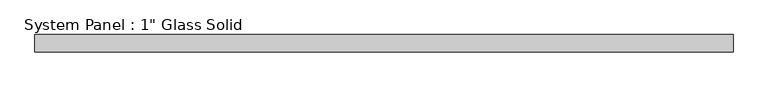
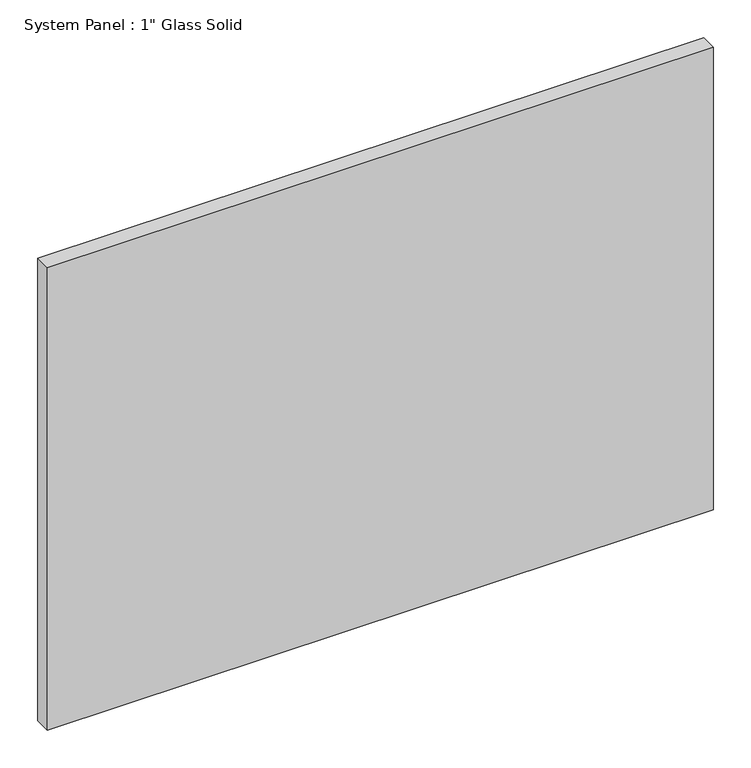
"""IFC4 building model written with IfcOpenShell, lengths in millimetres: plate geometry."""

import ifcopenshell
import ifcopenshell.guid

model = None  # the IFC model being written
_history = None  # IfcOwnerHistory: only IFC2X3 demands one
_inside = {}  # id of a spatial element -> (the spatial element, [elements in it])
_under = {}  # id of a project, library or spatial element -> (it, [spatial elements below it])
_declared = {}  # id of a project -> (the project, [libraries it declares])
_typed = {}  # id of a type object -> (the type object, [elements of that type])
_made_of = {}  # id of a material, layer set ... -> (it, [elements and type objects made of it])


def new_model(schema):
    """Start an empty IFC model of exactly this schema.

    Asked for "IFC4X3", IfcOpenShell would pick the latest addendum, in which some entities
    have other attributes; the version numbers below select the first issue.
    IFC2X3 requires an IfcOwnerHistory on every rooted entity: one is made here for all.
    """
    global model, _history
    if schema == "IFC4X3":
        model = ifcopenshell.file(schema_version=(4, 3, 0, 0))
    else:
        model = ifcopenshell.file(schema=schema)
    _inside.clear()
    _under.clear()
    _declared.clear()
    _typed.clear()
    _made_of.clear()
    _history = None
    if model.schema == "IFC2X3":
        org = make("IfcOrganization", Name="unknown")
        user = make(
            "IfcPersonAndOrganization",
            ThePerson=make("IfcPerson", FamilyName="unknown"),
            TheOrganization=org,
        )
        app = make(
            "IfcApplication",
            ApplicationDeveloper=org,
            Version="unknown",
            ApplicationFullName="unknown",
            ApplicationIdentifier="unknown",
        )
        _history = make(
            "IfcOwnerHistory",
            OwningUser=user,
            OwningApplication=app,
            ChangeAction="ADDED",
            CreationDate=0,
        )
    return model


def make(cls, **values):
    """One entity of the class cls with the attributes given. An attribute that is None is left unset."""
    return model.create_entity(
        cls, **{name: value for name, value in values.items() if value is not None}
    )


def rooted(cls, **values):
    """An entity with a GlobalId (a new one), such as an element, a storey or a relation."""
    return make(cls, GlobalId=ifcopenshell.guid.new(), OwnerHistory=_history, **values)


def si_unit(unit_type, name, prefix=None):
    """IfcSIUnit, for example si_unit("LENGTHUNIT", "METRE", prefix="MILLI")."""
    return make("IfcSIUnit", UnitType=unit_type, Prefix=prefix, Name=name)


def assignment(units):
    """IfcUnitAssignment: the units of a project."""
    return None if units is None else make("IfcUnitAssignment", Units=units)


def point(xyz):
    """IfcCartesianPoint."""
    return None if xyz is None else make("IfcCartesianPoint", Coordinates=xyz)


def direction(xyz):
    """IfcDirection."""
    return None if xyz is None else make("IfcDirection", DirectionRatios=xyz)


def frame(location, z_axis=None, x_axis=None):
    """IfcAxis2Placement3D, a coordinate frame: its origin and axes. An axis left out is left unset."""
    return make(
        "IfcAxis2Placement3D",
        Location=point(location),
        Axis=direction(z_axis),
        RefDirection=direction(x_axis),
    )


def origin():
    """The frame at (0, 0, 0) with its axes left unset."""
    return frame((0.0, 0.0, 0.0))


def origin_with_axes():
    """The frame at (0, 0, 0) with the z axis (0, 0, 1) and the x axis (1, 0, 0) written out."""
    return frame((0.0, 0.0, 0.0), z_axis=(0.0, 0.0, 1.0), x_axis=(1.0, 0.0, 0.0))


def place(relative_to, where):
    """IfcLocalPlacement: puts the frame where relative to a parent placement (None: the world)."""
    return make(
        "IfcLocalPlacement", PlacementRelTo=relative_to, RelativePlacement=where
    )


def context(
    kind, dimensions, precision=None, world=None, true_north=None, identifier=None
):
    """IfcGeometricRepresentationContext, for example the 3D "Model" context."""
    return make(
        "IfcGeometricRepresentationContext",
        ContextIdentifier=identifier,
        ContextType=kind,
        CoordinateSpaceDimension=dimensions,
        Precision=precision,
        WorldCoordinateSystem=world,
        TrueNorth=true_north,
    )


def project(units=None, contexts=None):
    """IfcProject with its units and contexts."""
    return rooted(
        "IfcProject",
        Name="project",
        RepresentationContexts=contexts,
        UnitsInContext=assignment(units),
    )


def spatial(cls, under=None, at=None, **own):
    """A site, building, storey or space (cls), placed at a placement, below another one or the project."""
    s = rooted(cls, ObjectPlacement=at, **own)
    if under is not None:
        _under.setdefault(under.id(), (under, []))[1].append(s)
    return s


def polyline(points):
    """IfcPolyline through the points."""
    return make("IfcPolyline", Points=[point(p) for p in points])


def outline(outer, holes=None, kind="AREA"):
    """IfcArbitraryClosedProfileDef: a profile drawn as a closed curve; with holes, ...WithVoids."""
    if holes is None:
        return make("IfcArbitraryClosedProfileDef", ProfileType=kind, OuterCurve=outer)
    return make(
        "IfcArbitraryProfileDefWithVoids",
        ProfileType=kind,
        OuterCurve=outer,
        InnerCurves=holes,
    )


def extrude(swept, where, along, depth):
    """IfcExtrudedAreaSolid: the profile swept, set in the frame where, extruded along a direction by depth."""
    return make(
        "IfcExtrudedAreaSolid",
        SweptArea=swept,
        Position=where,
        ExtrudedDirection=direction(along),
        Depth=depth,
    )


def shape(context_of_items, identifier, shape_type, items):
    """IfcShapeRepresentation: the items that make up one representation, for example the "Body"."""
    return make(
        "IfcShapeRepresentation",
        ContextOfItems=context_of_items,
        RepresentationIdentifier=identifier,
        RepresentationType=shape_type,
        Items=items,
    )


def source(mapping_origin, context_of_items, identifier, shape_type, items):
    """IfcRepresentationMap: a shape defined once, which mapped items show again and again."""
    return make(
        "IfcRepresentationMap",
        MappingOrigin=mapping_origin,
        MappedRepresentation=shape(context_of_items, identifier, shape_type, items),
    )


def transform(
    local_origin,
    x_axis=None,
    y_axis=None,
    z_axis=None,
    scale=None,
    scale2=None,
    scale3=None,
    uniform=True,
):
    """IfcCartesianTransformationOperator3D, or its non-uniform kind. x_axis, y_axis, z_axis: its Axis1, 2, 3."""
    if uniform:
        return make(
            "IfcCartesianTransformationOperator3D",
            Axis1=direction(x_axis),
            Axis2=direction(y_axis),
            LocalOrigin=point(local_origin),
            Scale=scale,
            Axis3=direction(z_axis),
        )
    return make(
        "IfcCartesianTransformationOperator3DnonUniform",
        Axis1=direction(x_axis),
        Axis2=direction(y_axis),
        LocalOrigin=point(local_origin),
        Scale=scale,
        Axis3=direction(z_axis),
        Scale2=scale2,
        Scale3=scale3,
    )


def mapped(mapping_source, mapping_target):
    """IfcMappedItem: shows the shape of a source again, moved by a transform."""
    return make(
        "IfcMappedItem", MappingSource=mapping_source, MappingTarget=mapping_target
    )


def made_of(thing, what):
    """Note that an element or type object is made of a material, layer set ...; save() writes the relation."""
    if what is not None:
        _made_of.setdefault(what.id(), (what, []))[1].append(thing)
    return thing


def element(
    cls,
    number,
    at=None,
    inside=None,
    cuts=None,
    type_object=None,
    material=None,
    context=None,
    identifier="Body",
    shape_type=None,
    held_by="IfcProductDefinitionShape",
    body=None,
    shapes=None,
    **own,
):
    """One element of the class cls, such as IfcWall. Its Tag is "e" and its number.

    at: its placement. inside: the storey or other place that contains it. cuts: it is an
    opening in that element (IfcRelVoidsElement). A single representation is given by context,
    identifier, shape_type and body (its items); several are given by shapes. held_by: the class
    of the entity that holds the representations. save() writes the other relations.
    """
    e = rooted(cls, Tag="e%d" % number, ObjectPlacement=at, **own)
    if body is not None:
        shapes = [shape(context, identifier, shape_type, body)]
    if shapes is not None:
        e.Representation = make(held_by, Representations=shapes)
    if inside is not None:
        _inside.setdefault(inside.id(), (inside, []))[1].append(e)
    if cuts is not None:
        rooted(
            "IfcRelVoidsElement", RelatingBuildingElement=cuts, RelatedOpeningElement=e
        )
    if type_object is not None:
        _typed.setdefault(type_object.id(), (type_object, []))[1].append(e)
    return made_of(e, material)


def aggregate(whole, parts):
    """IfcRelAggregates: a whole, such as a stair, and the parts it consists of."""
    return rooted("IfcRelAggregates", RelatingObject=whole, RelatedObjects=parts)


def save(model, path):
    """Write the relations noted so far, then the file.

    IfcRelAggregates (storeys below a building ...), IfcRelContainedInSpatialStructure (elements
    in a storey), IfcRelDefinesByType, IfcRelAssociatesMaterial and IfcRelDeclares: one each for
    every whole, place, type object, material and project.
    """
    for whole, parts in _under.values():
        aggregate(whole, parts)
    for where, things in _inside.values():
        rooted(
            "IfcRelContainedInSpatialStructure",
            RelatedElements=things,
            RelatingStructure=where,
        )
    for kind, things in _typed.values():
        rooted("IfcRelDefinesByType", RelatedObjects=things, RelatingType=kind)
    for what, things in _made_of.values():
        rooted("IfcRelAssociatesMaterial", RelatedObjects=things, RelatingMaterial=what)
    for by, libraries in _declared.values():
        rooted("IfcRelDeclares", RelatingContext=by, RelatedDefinitions=libraries)
    model.write(path)


def plate_b593e4b2(model_context):
    return source(origin(), model_context, "Body", "SweptSolid", [
        extrude(outline(polyline([(509.8520833, -12.7), (-509.8520833, -12.7), (-509.8520833, 12.7), (509.8520833, 12.7), (509.8520833, -12.7)])), origin_with_axes(), (0.0, 0.0, 1.0), 748.7596948),
    ])


if __name__ == "__main__":
    model = new_model("IFC4")
    model_context = context("Model", 3, world=origin())
    ifc_project = project(units=[si_unit("LENGTHUNIT", "METRE", prefix="MILLI")], contexts=[model_context])
    site = spatial("IfcSite", under=ifc_project)
    building = spatial("IfcBuilding", under=site)
    placement = place(None, origin())
    plate_shape = plate_b593e4b2(model_context)
    element("IfcPlate", 1, ObjectType="System Panel : 1\" Glass Solid", at=placement, inside=building, context=model_context, shape_type="MappedRepresentation", body=[
        mapped(plate_shape, transform((0.0, 0.0, 0.0), x_axis=(1.0, 0.0, 0.0), y_axis=(0.0, 1.0, 0.0), z_axis=(0.0, 0.0, 1.0))),
    ])
    save(model, "model.ifc")
